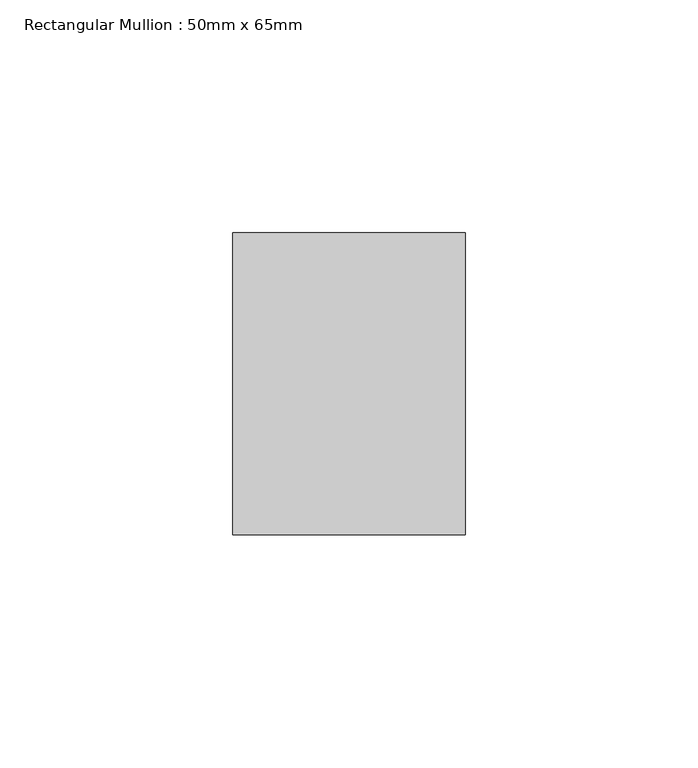
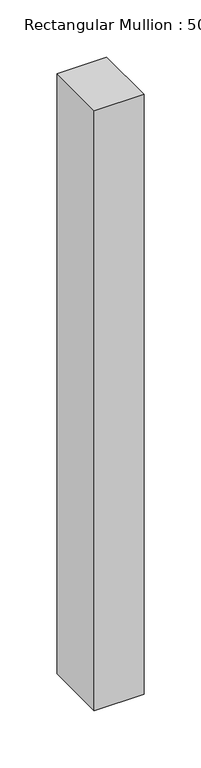
"""IFC4 building model written with IfcOpenShell, lengths in millimetres: member geometry, Rectangular Mullion : 50mm x 65mm."""

from ifc_helpers import new_model, si_unit, frame, origin, place, context, project, spatial, polyline, outline, extrude, source, transform, mapped, element, save


def rectangular_mullion_50mm_x_65mm_c1e90f68(model_context):
    return source(origin(), model_context, "Body", "SweptSolid", [
        extrude(outline(polyline([(25.0, 32.5), (25.0, -32.5), (-25.0, -32.5), (-25.0, 32.5), (25.0, 32.5)])), frame((0.0, 0.0, -639.7127682), z_axis=(0.0, 0.0, 1.0), x_axis=(1.0, 0.0, 0.0)), (0.0, 0.0, 1.0), 639.7127682),
    ])


if __name__ == "__main__":
    model = new_model("IFC4")
    model_context = context("Model", 3, world=origin())
    ifc_project = project(units=[si_unit("LENGTHUNIT", "METRE", prefix="MILLI")], contexts=[model_context])
    site = spatial("IfcSite", under=ifc_project)
    building = spatial("IfcBuilding", under=site)
    placement = place(None, origin())
    rectangular_mullion_50mm_x_65mm_shape = rectangular_mullion_50mm_x_65mm_c1e90f68(model_context)
    element("IfcMember", 1, ObjectType="Rectangular Mullion : 50mm x 65mm", at=placement, inside=building, context=model_context, shape_type="MappedRepresentation", body=[
        mapped(rectangular_mullion_50mm_x_65mm_shape, transform((0.0, 0.0, 0.0), x_axis=(1.0, 0.0, 0.0), y_axis=(0.0, 1.0, 0.0), z_axis=(0.0, 0.0, 1.0))),
    ])
    save(model, "model.ifc")
